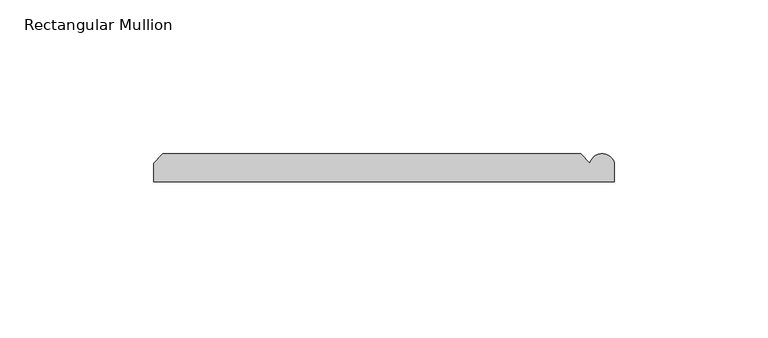
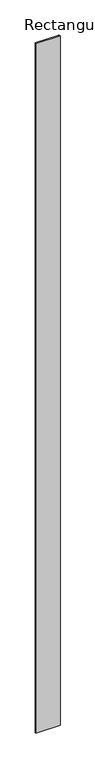
"""IFC4 building model written with IfcOpenShell, lengths in millimetres: member geometry, Rectangular Mullion."""

from ifc_helpers import new_model, si_unit, point, frame, frame_2d, origin, place, context, project, spatial, polyline, circle_curve, trimmed, segment, composite_curve, outline, extrude, source, transform, mapped, element, save


def rectangular_mullion_c7757c10(model_context):
    return source(origin(), model_context, "Body", "SweptSolid", [
        extrude(outline(composite_curve([segment(polyline([(63.9809918, 9.0), (66.9809918, 6.0)]), True, "CONTINUOUS"), segment(trimmed(circle_curve(frame_2d((70.9809918, 5.0)), 4.1231056), [point((66.9809918, 6.0))], [point((74.9809918, 6.0))], False, "CARTESIAN"), True, "CONTINUOUS"), segment(polyline([(74.9809918, 6.0), (74.9809918, 0.0), (-75.0190082, 0.0), (-75.0190082, 6.00681), (-72.0258182, 9.0), (63.9809918, 9.0)]), True, "CONTINUOUS")], self_intersect=False)), frame((0.0, 0.0, -4500.0), z_axis=(0.0, 0.0, 1.0), x_axis=(1.0, 0.0, 0.0)), (0.0, 0.0, 1.0), 4500.0),
    ])


if __name__ == "__main__":
    model = new_model("IFC4")
    model_context = context("Model", 3, world=origin())
    ifc_project = project(units=[si_unit("LENGTHUNIT", "METRE", prefix="MILLI")], contexts=[model_context])
    site = spatial("IfcSite", under=ifc_project)
    building = spatial("IfcBuilding", under=site)
    placement = place(None, origin())
    rectangular_mullion_shape = rectangular_mullion_c7757c10(model_context)
    element("IfcMember", 1, ObjectType="Rectangular Mullion", at=placement, inside=building, context=model_context, shape_type="MappedRepresentation", body=[
        mapped(rectangular_mullion_shape, transform((0.0, 0.0, 0.0), x_axis=(1.0, 0.0, 0.0), y_axis=(0.0, 1.0, 0.0), z_axis=(0.0, 0.0, 1.0))),
    ])
    save(model, "model.ifc")
